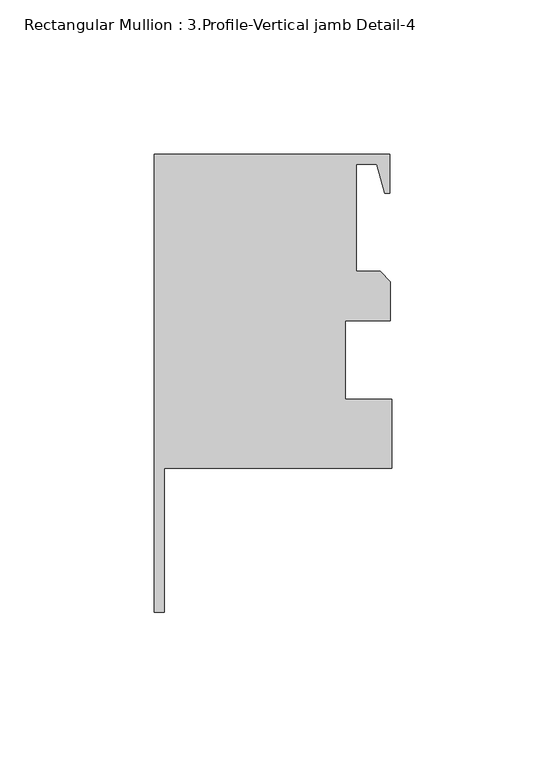
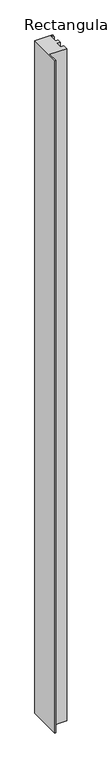
"""IFC4 building model written with IfcOpenShell, lengths in millimetres: member geometry, Rectangular Mullion : 3.Profile-Vertical jamb Detail-4."""

from ifc_helpers import new_model, si_unit, frame, origin, place, context, project, spatial, polyline, outline, extrude, source, transform, mapped, element, save


def rectangular_mullion_3_profile_vertical_jamb_detail_4_6856c64c(model_context):
    return source(origin(), model_context, "Body", "SweptSolid", [
        extrude(outline(polyline([(-0.701802, 51.6764498), (-0.701802, 38.9764498), (-2.276602, 38.9764498), (-4.8288181, 48.5014498), (-11.5125525, 48.5014498), (-11.5125525, 13.7288498), (-3.724275, 13.7288498), (-0.396875, 10.4014498), (-0.396875, -2.2985756), (-15.08125, -2.2985756), (-15.08125, -27.6985502), (0.0, -27.6985502), (0.0, -50.0640715), (-73.772776, -50.0640715), (-73.772776, -96.7079627), (-76.947776, -96.7079627), (-76.947776, 51.6764498), (-0.701802, 51.6764498)])), frame((0.0, 0.0, -3048.0), z_axis=(0.0, 0.0, 1.0), x_axis=(1.0, 0.0, 0.0)), (0.0, 0.0, 1.0), 3048.0),
    ])


if __name__ == "__main__":
    model = new_model("IFC4")
    model_context = context("Model", 3, world=origin())
    ifc_project = project(units=[si_unit("LENGTHUNIT", "METRE", prefix="MILLI")], contexts=[model_context])
    site = spatial("IfcSite", under=ifc_project)
    building = spatial("IfcBuilding", under=site)
    placement = place(None, origin())
    rectangular_mullion_3_profile_vertical_jamb_detail_4_shape = rectangular_mullion_3_profile_vertical_jamb_detail_4_6856c64c(model_context)
    element("IfcMember", 1, ObjectType="Rectangular Mullion : 3.Profile-Vertical jamb Detail-4", at=placement, inside=building, context=model_context, shape_type="MappedRepresentation", body=[
        mapped(rectangular_mullion_3_profile_vertical_jamb_detail_4_shape, transform((0.0, 0.0, 0.0), x_axis=(1.0, 0.0, 0.0), y_axis=(0.0, 1.0, 0.0), z_axis=(0.0, 0.0, 1.0))),
    ])
    save(model, "model.ifc")
